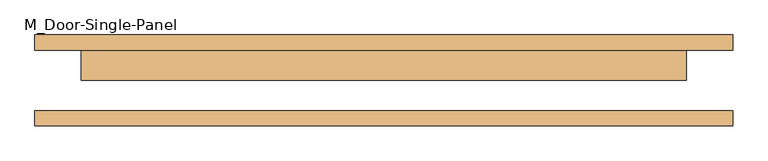
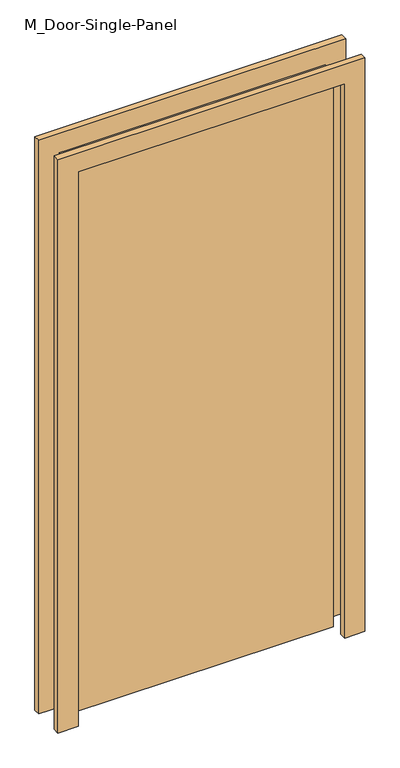
"""IFC4 building model written with IfcOpenShell, lengths in millimetres: door geometry, M_Door-Single-Panel."""

import ifcopenshell
import ifcopenshell.guid

model = None  # the IFC model being written
_history = None  # IfcOwnerHistory: only IFC2X3 demands one
_inside = {}  # id of a spatial element -> (the spatial element, [elements in it])
_under = {}  # id of a project, library or spatial element -> (it, [spatial elements below it])
_declared = {}  # id of a project -> (the project, [libraries it declares])
_typed = {}  # id of a type object -> (the type object, [elements of that type])
_made_of = {}  # id of a material, layer set ... -> (it, [elements and type objects made of it])


def new_model(schema):
    """Start an empty IFC model of exactly this schema.

    Asked for "IFC4X3", IfcOpenShell would pick the latest addendum, in which some entities
    have other attributes; the version numbers below select the first issue.
    IFC2X3 requires an IfcOwnerHistory on every rooted entity: one is made here for all.
    """
    global model, _history
    if schema == "IFC4X3":
        model = ifcopenshell.file(schema_version=(4, 3, 0, 0))
    else:
        model = ifcopenshell.file(schema=schema)
    _inside.clear()
    _under.clear()
    _declared.clear()
    _typed.clear()
    _made_of.clear()
    _history = None
    if model.schema == "IFC2X3":
        org = make("IfcOrganization", Name="unknown")
        user = make(
            "IfcPersonAndOrganization",
            ThePerson=make("IfcPerson", FamilyName="unknown"),
            TheOrganization=org,
        )
        app = make(
            "IfcApplication",
            ApplicationDeveloper=org,
            Version="unknown",
            ApplicationFullName="unknown",
            ApplicationIdentifier="unknown",
        )
        _history = make(
            "IfcOwnerHistory",
            OwningUser=user,
            OwningApplication=app,
            ChangeAction="ADDED",
            CreationDate=0,
        )
    return model


def make(cls, **values):
    """One entity of the class cls with the attributes given. An attribute that is None is left unset."""
    return model.create_entity(
        cls, **{name: value for name, value in values.items() if value is not None}
    )


def rooted(cls, **values):
    """An entity with a GlobalId (a new one), such as an element, a storey or a relation."""
    return make(cls, GlobalId=ifcopenshell.guid.new(), OwnerHistory=_history, **values)


def si_unit(unit_type, name, prefix=None):
    """IfcSIUnit, for example si_unit("LENGTHUNIT", "METRE", prefix="MILLI")."""
    return make("IfcSIUnit", UnitType=unit_type, Prefix=prefix, Name=name)


def assignment(units):
    """IfcUnitAssignment: the units of a project."""
    return None if units is None else make("IfcUnitAssignment", Units=units)


def point(xyz):
    """IfcCartesianPoint."""
    return None if xyz is None else make("IfcCartesianPoint", Coordinates=xyz)


def direction(xyz):
    """IfcDirection."""
    return None if xyz is None else make("IfcDirection", DirectionRatios=xyz)


def frame(location, z_axis=None, x_axis=None):
    """IfcAxis2Placement3D, a coordinate frame: its origin and axes. An axis left out is left unset."""
    return make(
        "IfcAxis2Placement3D",
        Location=point(location),
        Axis=direction(z_axis),
        RefDirection=direction(x_axis),
    )


def origin():
    """The frame at (0, 0, 0) with its axes left unset."""
    return frame((0.0, 0.0, 0.0))


def origin_with_axes():
    """The frame at (0, 0, 0) with the z axis (0, 0, 1) and the x axis (1, 0, 0) written out."""
    return frame((0.0, 0.0, 0.0), z_axis=(0.0, 0.0, 1.0), x_axis=(1.0, 0.0, 0.0))


def place(relative_to, where):
    """IfcLocalPlacement: puts the frame where relative to a parent placement (None: the world)."""
    return make(
        "IfcLocalPlacement", PlacementRelTo=relative_to, RelativePlacement=where
    )


def context(
    kind, dimensions, precision=None, world=None, true_north=None, identifier=None
):
    """IfcGeometricRepresentationContext, for example the 3D "Model" context."""
    return make(
        "IfcGeometricRepresentationContext",
        ContextIdentifier=identifier,
        ContextType=kind,
        CoordinateSpaceDimension=dimensions,
        Precision=precision,
        WorldCoordinateSystem=world,
        TrueNorth=true_north,
    )


def project(units=None, contexts=None):
    """IfcProject with its units and contexts."""
    return rooted(
        "IfcProject",
        Name="project",
        RepresentationContexts=contexts,
        UnitsInContext=assignment(units),
    )


def spatial(cls, under=None, at=None, **own):
    """A site, building, storey or space (cls), placed at a placement, below another one or the project."""
    s = rooted(cls, ObjectPlacement=at, **own)
    if under is not None:
        _under.setdefault(under.id(), (under, []))[1].append(s)
    return s


def polyline(points):
    """IfcPolyline through the points."""
    return make("IfcPolyline", Points=[point(p) for p in points])


def outline(outer, holes=None, kind="AREA"):
    """IfcArbitraryClosedProfileDef: a profile drawn as a closed curve; with holes, ...WithVoids."""
    if holes is None:
        return make("IfcArbitraryClosedProfileDef", ProfileType=kind, OuterCurve=outer)
    return make(
        "IfcArbitraryProfileDefWithVoids",
        ProfileType=kind,
        OuterCurve=outer,
        InnerCurves=holes,
    )


def extrude(swept, where, along, depth):
    """IfcExtrudedAreaSolid: the profile swept, set in the frame where, extruded along a direction by depth."""
    return make(
        "IfcExtrudedAreaSolid",
        SweptArea=swept,
        Position=where,
        ExtrudedDirection=direction(along),
        Depth=depth,
    )


def shape(context_of_items, identifier, shape_type, items):
    """IfcShapeRepresentation: the items that make up one representation, for example the "Body"."""
    return make(
        "IfcShapeRepresentation",
        ContextOfItems=context_of_items,
        RepresentationIdentifier=identifier,
        RepresentationType=shape_type,
        Items=items,
    )


def source(mapping_origin, context_of_items, identifier, shape_type, items):
    """IfcRepresentationMap: a shape defined once, which mapped items show again and again."""
    return make(
        "IfcRepresentationMap",
        MappingOrigin=mapping_origin,
        MappedRepresentation=shape(context_of_items, identifier, shape_type, items),
    )


def transform(
    local_origin,
    x_axis=None,
    y_axis=None,
    z_axis=None,
    scale=None,
    scale2=None,
    scale3=None,
    uniform=True,
):
    """IfcCartesianTransformationOperator3D, or its non-uniform kind. x_axis, y_axis, z_axis: its Axis1, 2, 3."""
    if uniform:
        return make(
            "IfcCartesianTransformationOperator3D",
            Axis1=direction(x_axis),
            Axis2=direction(y_axis),
            LocalOrigin=point(local_origin),
            Scale=scale,
            Axis3=direction(z_axis),
        )
    return make(
        "IfcCartesianTransformationOperator3DnonUniform",
        Axis1=direction(x_axis),
        Axis2=direction(y_axis),
        LocalOrigin=point(local_origin),
        Scale=scale,
        Axis3=direction(z_axis),
        Scale2=scale2,
        Scale3=scale3,
    )


def mapped(mapping_source, mapping_target):
    """IfcMappedItem: shows the shape of a source again, moved by a transform."""
    return make(
        "IfcMappedItem", MappingSource=mapping_source, MappingTarget=mapping_target
    )


def made_of(thing, what):
    """Note that an element or type object is made of a material, layer set ...; save() writes the relation."""
    if what is not None:
        _made_of.setdefault(what.id(), (what, []))[1].append(thing)
    return thing


def element(
    cls,
    number,
    at=None,
    inside=None,
    cuts=None,
    type_object=None,
    material=None,
    context=None,
    identifier="Body",
    shape_type=None,
    held_by="IfcProductDefinitionShape",
    body=None,
    shapes=None,
    **own,
):
    """One element of the class cls, such as IfcWall. Its Tag is "e" and its number.

    at: its placement. inside: the storey or other place that contains it. cuts: it is an
    opening in that element (IfcRelVoidsElement). A single representation is given by context,
    identifier, shape_type and body (its items); several are given by shapes. held_by: the class
    of the entity that holds the representations. save() writes the other relations.
    """
    e = rooted(cls, Tag="e%d" % number, ObjectPlacement=at, **own)
    if body is not None:
        shapes = [shape(context, identifier, shape_type, body)]
    if shapes is not None:
        e.Representation = make(held_by, Representations=shapes)
    if inside is not None:
        _inside.setdefault(inside.id(), (inside, []))[1].append(e)
    if cuts is not None:
        rooted(
            "IfcRelVoidsElement", RelatingBuildingElement=cuts, RelatedOpeningElement=e
        )
    if type_object is not None:
        _typed.setdefault(type_object.id(), (type_object, []))[1].append(e)
    return made_of(e, material)


def aggregate(whole, parts):
    """IfcRelAggregates: a whole, such as a stair, and the parts it consists of."""
    return rooted("IfcRelAggregates", RelatingObject=whole, RelatedObjects=parts)


def save(model, path):
    """Write the relations noted so far, then the file.

    IfcRelAggregates (storeys below a building ...), IfcRelContainedInSpatialStructure (elements
    in a storey), IfcRelDefinesByType, IfcRelAssociatesMaterial and IfcRelDeclares: one each for
    every whole, place, type object, material and project.
    """
    for whole, parts in _under.values():
        aggregate(whole, parts)
    for where, things in _inside.values():
        rooted(
            "IfcRelContainedInSpatialStructure",
            RelatedElements=things,
            RelatingStructure=where,
        )
    for kind, things in _typed.values():
        rooted("IfcRelDefinesByType", RelatedObjects=things, RelatingType=kind)
    for what, things in _made_of.values():
        rooted("IfcRelAssociatesMaterial", RelatedObjects=things, RelatingMaterial=what)
    for by, libraries in _declared.values():
        rooted("IfcRelDeclares", RelatingContext=by, RelatedDefinitions=libraries)
    model.write(path)


def m_door_single_panel_17785cc5(model_context):
    return source(origin(), model_context, "Body", "SweptSolid", [
        extrude(outline(polyline([(500.0, 0.0), (-500.0, 0.0), (-500.0, 50.0), (500.0, 50.0), (500.0, 0.0)])), origin_with_axes(), (0.0, 0.0, 1.0), 2200.0),
        extrude(outline(polyline([(2276.2, -576.2), (0.0, -576.2), (0.0, -500.0), (2200.0, -500.0), (2200.0, 500.0), (0.0, 500.0), (0.0, 576.2), (2276.2, 576.2), (2276.2, -576.2)])), frame((0.0, 50.0, 0.0), z_axis=(0.0, 1.0, 0.0), x_axis=(0.0, 0.0, 1.0)), (0.0, 0.0, 1.0), 25.0),
        extrude(outline(polyline([(2276.2, 576.2), (2276.2, -576.2), (0.0, -576.2), (0.0, -500.0), (2200.0, -500.0), (2200.0, 500.0), (0.0, 500.0), (0.0, 576.2), (2276.2, 576.2)])), frame((0.0, -75.0, 0.0), z_axis=(0.0, 1.0, 0.0), x_axis=(0.0, 0.0, 1.0)), (0.0, 0.0, 1.0), 25.0),
    ])


if __name__ == "__main__":
    model = new_model("IFC4")
    model_context = context("Model", 3, world=origin())
    ifc_project = project(units=[si_unit("LENGTHUNIT", "METRE", prefix="MILLI")], contexts=[model_context])
    site = spatial("IfcSite", under=ifc_project)
    building = spatial("IfcBuilding", under=site)
    placement = place(None, origin())
    m_door_single_panel_shape = m_door_single_panel_17785cc5(model_context)
    element("IfcDoor", 1, ObjectType="M_Door-Single-Panel", at=placement, inside=building, context=model_context, shape_type="MappedRepresentation", body=[
        mapped(m_door_single_panel_shape, transform((0.0, 0.0, 0.0), x_axis=(1.0, 0.0, 0.0), y_axis=(0.0, 1.0, 0.0), z_axis=(0.0, 0.0, 1.0))),
    ])
    save(model, "model.ifc")
